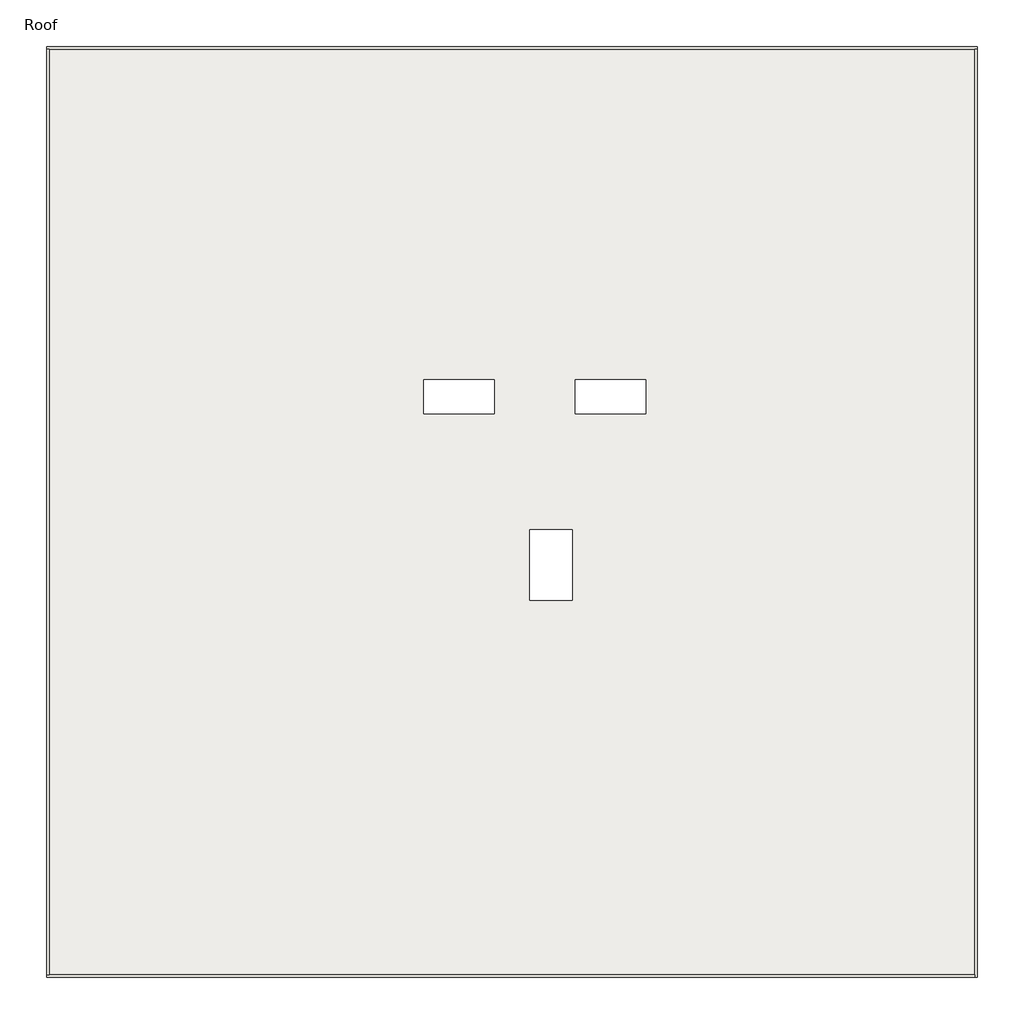
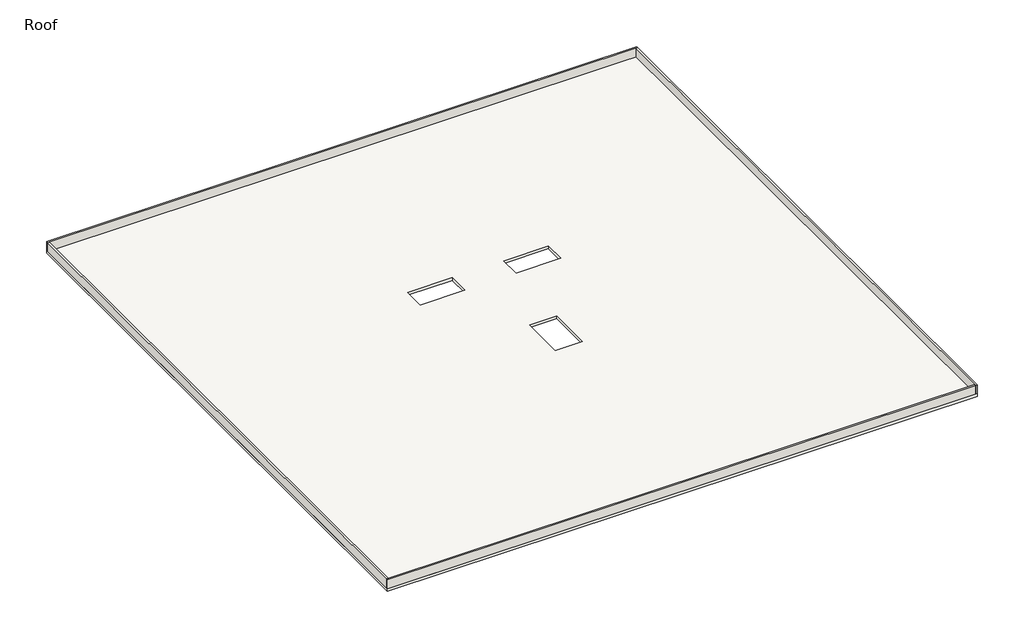
# One storey: 4 walls, 1 slab.
"""IFC4 building model written with IfcOpenShell, lengths in millimetres."""

from ifc_helpers import new_model, si_unit, frame, origin, place, context, project, spatial, polyline, outline, extrude, faceted_brep, element, save

model = new_model("IFC4")

# Units and contexts
model_context = context("Model", 3, world=origin())
ifc_project = project(units=[si_unit("LENGTHUNIT", "METRE", prefix="MILLI")], contexts=[model_context])

# Site, building, storey
site = spatial("IfcSite", under=ifc_project)
building = spatial("IfcBuilding", under=site)
storey = spatial("IfcBuildingStorey", under=building, Name="Roof", Elevation=414200.0)

# Slab
placement = place(None, origin())
element("IfcSlab", 1, ObjectType="Roof 1", at=placement, inside=storey, context=model_context, shape_type="SweptSolid", body=[
    extrude(outline(polyline([(-7509.8941216, -68918.09644), (-7509.8941216, -5518.09644), (55890.1058784, -5518.09644), (55890.1058784, -68918.09644), (-7509.8941216, -68918.09644)]), holes=[polyline([(28290.1058784, -43218.09644), (28290.1058784, -38418.09644), (25390.1058784, -38418.09644), (25390.1058784, -43218.09644), (28290.1058784, -43218.09644)]), polyline([(33290.1058784, -30518.09644), (33290.1058784, -28218.09644), (28490.1058784, -28218.09644), (28490.1058784, -30518.09644), (33290.1058784, -30518.09644)]), polyline([(22990.1058784, -30518.09644), (22990.1058784, -28218.09644), (18190.1058784, -28218.09644), (18190.1058784, -30518.09644), (22990.1058784, -30518.09644)])]), frame((0.0, 0.0, 413900.0), z_axis=(0.0, 0.0, 1.0), x_axis=(1.0, 0.0, 0.0)), (0.0, 0.0, 1.0), 300.0),
])

# Walls
element("IfcWall", 2, at=placement, inside=storey, context=model_context, shape_type="Brep", body=[
    faceted_brep([(-7509.8941216, -5718.09644, 414200.0), (-7309.8941216, -5718.09644, 414200.0), (55690.1058784, -5718.09644, 414200.0), (55890.1058784, -5718.09644, 414200.0), (55890.1058784, -5718.09644, 415200.0), (55690.1058784, -5718.09644, 415200.0), (-7309.8941216, -5718.09644, 415200.0), (-7509.8941216, -5718.09644, 415200.0), (-7509.8941216, -5518.09644, 414200.0), (-7509.8941216, -5518.09644, 415200.0), (55890.1058784, -5518.09644, 415200.0), (55890.1058784, -5518.09644, 414200.0)], [[[0, 1, 2, 3, 4, 5, 6, 7]], [[8, 9, 10, 11]], [[3, 2, 1, 0, 8, 11]], [[7, 6, 5, 4, 10, 9]], [[4, 3, 11, 10]], [[0, 7, 9, 8]]]),
])
element("IfcWall", 3, at=placement, inside=storey, context=model_context, shape_type="Brep", body=[
    faceted_brep([(55690.1058784, -5718.09644, 414200.0), (55690.1058784, -68718.09644, 414200.0), (55690.1058784, -68918.09644, 414200.0), (55690.1058784, -68918.09644, 415200.0), (55690.1058784, -68718.09644, 415200.0), (55690.1058784, -5718.09644, 415200.0), (55890.1058784, -5718.09644, 414200.0), (55890.1058784, -5718.09644, 415200.0), (55890.1058784, -68918.09644, 415200.0), (55890.1058784, -68918.09644, 414200.0)], [[[0, 1, 2, 3, 4, 5]], [[6, 7, 8, 9]], [[2, 1, 0, 6, 9]], [[5, 4, 3, 8, 7]], [[0, 5, 7, 6]], [[3, 2, 9, 8]]]),
])
element("IfcWall", 4, at=placement, inside=storey, context=model_context, shape_type="Brep", body=[
    faceted_brep([(55690.1058784, -68718.09644, 414200.0), (-7309.8941216, -68718.09644, 414200.0), (-7509.8941216, -68718.09644, 414200.0), (-7509.8941216, -68718.09644, 415200.0), (-7309.8941216, -68718.09644, 415200.0), (55690.1058784, -68718.09644, 415200.0), (55690.1058784, -68918.09644, 414200.0), (55690.1058784, -68918.09644, 415200.0), (-7509.8941216, -68918.09644, 415200.0), (-7509.8941216, -68918.09644, 414200.0)], [[[0, 1, 2, 3, 4, 5]], [[6, 7, 8, 9]], [[2, 1, 0, 6, 9]], [[5, 4, 3, 8, 7]], [[0, 5, 7, 6]], [[3, 2, 9, 8]]]),
])
element("IfcWall", 5, at=placement, inside=storey, context=model_context, shape_type="SweptSolid", body=[
    extrude(outline(polyline([(-7309.8941216, -5718.09644), (-7309.8941216, -68718.09644), (-7509.8941216, -68718.09644), (-7509.8941216, -5718.09644), (-7309.8941216, -5718.09644)])), frame((0.0, 0.0, 414200.0), z_axis=(0.0, 0.0, 1.0), x_axis=(1.0, 0.0, 0.0)), (0.0, 0.0, 1.0), 1000.0),
])

save(model, "model.ifc")
